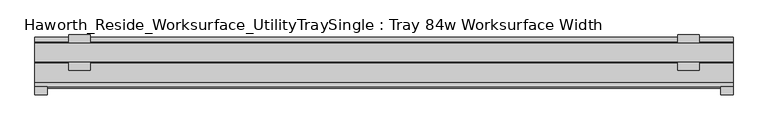
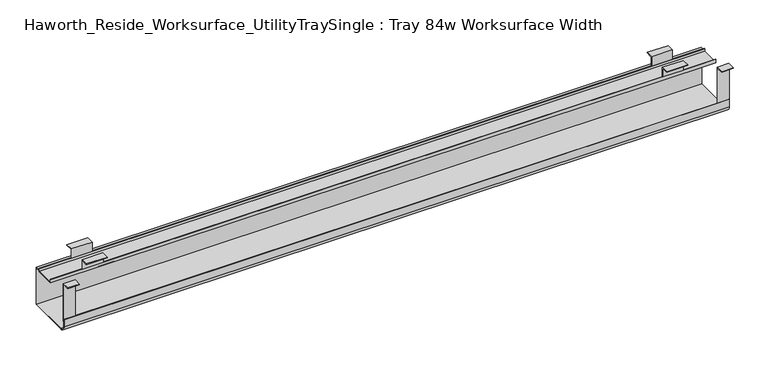
"""IFC4 building model written with IfcOpenShell, lengths in millimetres: furniture geometry, Haworth_Reside_Worksurface_UtilityTraySingle : Tray 84w Worksurface Width."""

from ifc_helpers import new_model, si_unit, point, frame, frame_2d, origin, place, context, project, spatial, polyline, circle_curve, trimmed, segment, composite_curve, outline, extrude, source, transform, mapped, element, save


def haworth_reside_worksurface_utilitytraysingle_tray_84w_e9ddc28b(model_context):
    return source(origin(), model_context, "Body", "SweptSolid", [
        extrude(outline(polyline([(85.2804983, 731.8375), (85.2804983, 705.0616227), (83.6929983, 705.0616227), (83.6929983, 730.25), (64.1984987, 730.25), (64.1984987, 731.8375), (85.2804983, 731.8375)])), frame((845.34375, 0.0, 0.0), z_axis=(1.0, 0.0, 0.0), x_axis=(0.0, 1.0, 0.0)), (0.0, 0.0, 1.0), 57.15),
        extrude(outline(polyline([(136.0804991, 731.8375), (157.1625, 731.8375), (157.1625, 730.25), (137.6679991, 730.25), (137.6679991, 705.0616227), (136.0804991, 705.0616227), (136.0804991, 731.8375)])), frame((845.34375, 0.0, 0.0), z_axis=(1.0, 0.0, 0.0), x_axis=(0.0, 1.0, 0.0)), (0.0, 0.0, 1.0), 57.15),
        extrude(outline(polyline([(85.2804983, 731.8375), (85.2804983, 705.0616227), (83.6929983, 705.0616227), (83.6929983, 730.25), (64.1984987, 730.25), (64.1984987, 731.8375), (85.2804983, 731.8375)])), frame((-750.09375, 0.0, 0.0), z_axis=(1.0, 0.0, 0.0), x_axis=(0.0, 1.0, 0.0)), (0.0, 0.0, 1.0), 57.15),
        extrude(outline(polyline([(136.0804991, 731.8375), (157.1625, 731.8375), (157.1625, 730.25), (137.6679991, 730.25), (137.6679991, 705.0616227), (136.0804991, 705.0616227), (136.0804991, 731.8375)])), frame((-750.09375, 0.0, 0.0), z_axis=(1.0, 0.0, 0.0), x_axis=(0.0, 1.0, 0.0)), (0.0, 0.0, 1.0), 57.15),
        extrude(outline(polyline([(21.0438957, 731.8375), (21.0438957, 622.3673792), (19.4563957, 622.3673792), (19.4563957, 730.25), (0.0, 730.25), (0.0, 731.8375), (21.0438957, 731.8375)])), frame((958.85, 0.0, 0.0), z_axis=(1.0, 0.0, 0.0), x_axis=(0.0, 1.0, 0.0)), (0.0, 0.0, 1.0), 31.75),
        extrude(outline(polyline([(21.0438957, 731.8375), (21.0438957, 622.3673792), (19.4563957, 622.3673792), (19.4563957, 730.25), (0.0, 730.25), (0.0, 731.8375), (21.0438957, 731.8375)])), frame((-838.2, 0.0, 0.0), z_axis=(1.0, 0.0, 0.0), x_axis=(0.0, 1.0, 0.0)), (0.0, 0.0, 1.0), 31.75),
        extrude(outline(composite_curve([segment(polyline([(151.2189002, 592.1375), (33.7438957, 592.1375)]), True, "CONTINUOUS"), segment(trimmed(circle_curve(frame_2d((33.7438957, 608.0125)), 15.875), [point((33.7438957, 592.1375))], [point((17.8688957, 608.0125))], False, "CARTESIAN"), True, "CONTINUOUS"), segment(polyline([(17.8688957, 608.0125), (17.8688957, 629.0309801), (19.4563957, 629.0309801), (19.4563957, 608.0759608)]), True, "CONTINUOUS"), segment(trimmed(circle_curve(frame_2d((33.7438957, 608.0759608)), 14.2875), [point((19.4563957, 608.0759608))], [point((33.7438957, 593.7884608))], True, "CARTESIAN"), True, "CONTINUOUS"), segment(polyline([(33.7438957, 593.7884608), (149.6314002, 593.7884608), (149.6314002, 698.4364942), (137.6679991, 698.4364942), (137.6679991, 695.8584054), (83.6929983, 695.8584054), (83.6929983, 705.0616227), (85.2804983, 705.0616227), (85.2804983, 697.4459054), (136.0804991, 697.4459054), (136.0804991, 705.0616227), (137.6679991, 705.0616227), (137.6679991, 700.0239942), (151.2189002, 700.0239942), (151.2189002, 592.1375)]), True, "CONTINUOUS")], self_intersect=False)), frame((-838.2, 0.0, 0.0), z_axis=(1.0, 0.0, 0.0), x_axis=(0.0, 1.0, 0.0)), (0.0, 0.0, 1.0), 1828.8),
    ])


if __name__ == "__main__":
    model = new_model("IFC4")
    model_context = context("Model", 3, world=origin())
    ifc_project = project(units=[si_unit("LENGTHUNIT", "METRE", prefix="MILLI")], contexts=[model_context])
    site = spatial("IfcSite", under=ifc_project)
    building = spatial("IfcBuilding", under=site)
    placement = place(None, origin())
    haworth_reside_worksurface_utilitytraysingle_tray_84w_shape = haworth_reside_worksurface_utilitytraysingle_tray_84w_e9ddc28b(model_context)
    element("IfcFurniture", 1, ObjectType="Haworth_Reside_Worksurface_UtilityTraySingle : Tray 84w Worksurface Width", at=placement, inside=building, context=model_context, shape_type="MappedRepresentation", body=[
        mapped(haworth_reside_worksurface_utilitytraysingle_tray_84w_shape, transform((0.0, 0.0, 0.0), x_axis=(1.0, 0.0, 0.0), y_axis=(0.0, 1.0, 0.0), z_axis=(0.0, 0.0, 1.0))),
    ])
    save(model, "model.ifc")
